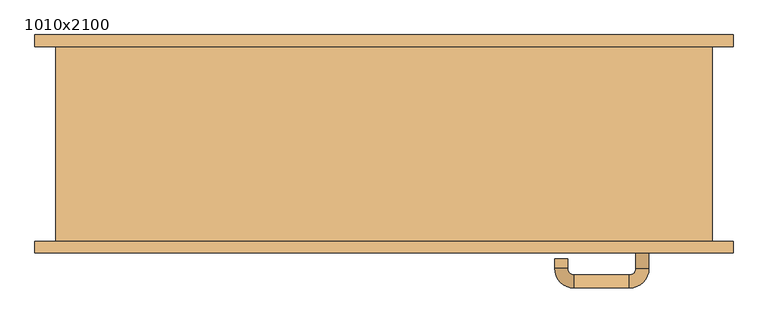
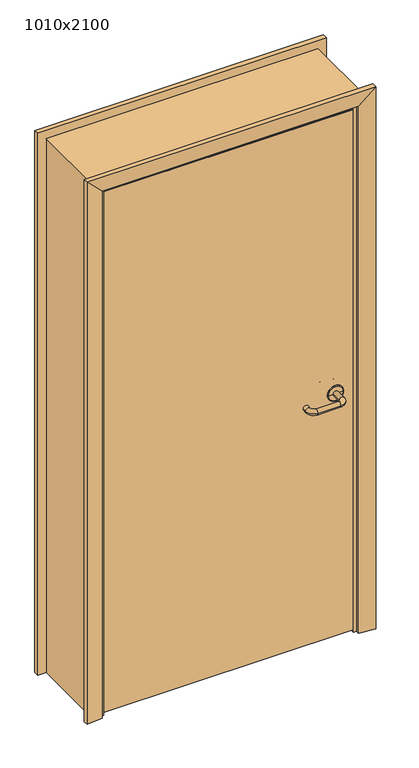
"""IFC4 building model written with IfcOpenShell, lengths in millimetres: door geometry, 1010x2100."""

import ifcopenshell
import ifcopenshell.guid

model = None  # the IFC model being written
_history = None  # IfcOwnerHistory: only IFC2X3 demands one
_inside = {}  # id of a spatial element -> (the spatial element, [elements in it])
_under = {}  # id of a project, library or spatial element -> (it, [spatial elements below it])
_declared = {}  # id of a project -> (the project, [libraries it declares])
_typed = {}  # id of a type object -> (the type object, [elements of that type])
_made_of = {}  # id of a material, layer set ... -> (it, [elements and type objects made of it])


def new_model(schema):
    """Start an empty IFC model of exactly this schema.

    Asked for "IFC4X3", IfcOpenShell would pick the latest addendum, in which some entities
    have other attributes; the version numbers below select the first issue.
    IFC2X3 requires an IfcOwnerHistory on every rooted entity: one is made here for all.
    """
    global model, _history
    if schema == "IFC4X3":
        model = ifcopenshell.file(schema_version=(4, 3, 0, 0))
    else:
        model = ifcopenshell.file(schema=schema)
    _inside.clear()
    _under.clear()
    _declared.clear()
    _typed.clear()
    _made_of.clear()
    _history = None
    if model.schema == "IFC2X3":
        org = make("IfcOrganization", Name="unknown")
        user = make(
            "IfcPersonAndOrganization",
            ThePerson=make("IfcPerson", FamilyName="unknown"),
            TheOrganization=org,
        )
        app = make(
            "IfcApplication",
            ApplicationDeveloper=org,
            Version="unknown",
            ApplicationFullName="unknown",
            ApplicationIdentifier="unknown",
        )
        _history = make(
            "IfcOwnerHistory",
            OwningUser=user,
            OwningApplication=app,
            ChangeAction="ADDED",
            CreationDate=0,
        )
    return model


def make(cls, **values):
    """One entity of the class cls with the attributes given. An attribute that is None is left unset."""
    return model.create_entity(
        cls, **{name: value for name, value in values.items() if value is not None}
    )


def rooted(cls, **values):
    """An entity with a GlobalId (a new one), such as an element, a storey or a relation."""
    return make(cls, GlobalId=ifcopenshell.guid.new(), OwnerHistory=_history, **values)


def si_unit(unit_type, name, prefix=None):
    """IfcSIUnit, for example si_unit("LENGTHUNIT", "METRE", prefix="MILLI")."""
    return make("IfcSIUnit", UnitType=unit_type, Prefix=prefix, Name=name)


def assignment(units):
    """IfcUnitAssignment: the units of a project."""
    return None if units is None else make("IfcUnitAssignment", Units=units)


def point(xyz):
    """IfcCartesianPoint."""
    return None if xyz is None else make("IfcCartesianPoint", Coordinates=xyz)


def direction(xyz):
    """IfcDirection."""
    return None if xyz is None else make("IfcDirection", DirectionRatios=xyz)


def frame(location, z_axis=None, x_axis=None):
    """IfcAxis2Placement3D, a coordinate frame: its origin and axes. An axis left out is left unset."""
    return make(
        "IfcAxis2Placement3D",
        Location=point(location),
        Axis=direction(z_axis),
        RefDirection=direction(x_axis),
    )


def origin():
    """The frame at (0, 0, 0) with its axes left unset."""
    return frame((0.0, 0.0, 0.0))


def place(relative_to, where):
    """IfcLocalPlacement: puts the frame where relative to a parent placement (None: the world)."""
    return make(
        "IfcLocalPlacement", PlacementRelTo=relative_to, RelativePlacement=where
    )


def context(
    kind, dimensions, precision=None, world=None, true_north=None, identifier=None
):
    """IfcGeometricRepresentationContext, for example the 3D "Model" context."""
    return make(
        "IfcGeometricRepresentationContext",
        ContextIdentifier=identifier,
        ContextType=kind,
        CoordinateSpaceDimension=dimensions,
        Precision=precision,
        WorldCoordinateSystem=world,
        TrueNorth=true_north,
    )


def project(units=None, contexts=None):
    """IfcProject with its units and contexts."""
    return rooted(
        "IfcProject",
        Name="project",
        RepresentationContexts=contexts,
        UnitsInContext=assignment(units),
    )


def spatial(cls, under=None, at=None, **own):
    """A site, building, storey or space (cls), placed at a placement, below another one or the project."""
    s = rooted(cls, ObjectPlacement=at, **own)
    if under is not None:
        _under.setdefault(under.id(), (under, []))[1].append(s)
    return s


def polyline(points):
    """IfcPolyline through the points."""
    return make("IfcPolyline", Points=[point(p) for p in points])


def circle_curve(where, radius):
    """IfcCircle in the frame where."""
    return make("IfcCircle", Position=where, Radius=radius)


def ellipse_curve(where, semi_axis1, semi_axis2):
    """IfcEllipse in the frame where."""
    return make(
        "IfcEllipse", Position=where, SemiAxis1=semi_axis1, SemiAxis2=semi_axis2
    )


def trimmed(basis, trim1, trim2, sense, master):
    """IfcTrimmedCurve: the piece of a basis curve between two trims."""
    return make(
        "IfcTrimmedCurve",
        BasisCurve=basis,
        Trim1=trim1,
        Trim2=trim2,
        SenseAgreement=sense,
        MasterRepresentation=master,
    )


def outline(outer, holes=None, kind="AREA"):
    """IfcArbitraryClosedProfileDef: a profile drawn as a closed curve; with holes, ...WithVoids."""
    if holes is None:
        return make("IfcArbitraryClosedProfileDef", ProfileType=kind, OuterCurve=outer)
    return make(
        "IfcArbitraryProfileDefWithVoids",
        ProfileType=kind,
        OuterCurve=outer,
        InnerCurves=holes,
    )


def extrude(swept, where, along, depth):
    """IfcExtrudedAreaSolid: the profile swept, set in the frame where, extruded along a direction by depth."""
    return make(
        "IfcExtrudedAreaSolid",
        SweptArea=swept,
        Position=where,
        ExtrudedDirection=direction(along),
        Depth=depth,
    )


def faces_of(points, faces, orient=None, outer=None):
    """IfcFace entities. A face is a list of loops; a loop is a list of indices into points, from 0.

    orient and outer hold one flag for each loop. By default every Orientation is true, the
    first loop of a face is its IfcFaceOuterBound and the others are IfcFaceBound.
    """
    made = []
    for i, loops in enumerate(faces):
        bounds = []
        for j, loop in enumerate(loops):
            is_outer = j == 0 if outer is None else outer[i][j]
            bounds.append(
                make(
                    "IfcFaceOuterBound" if is_outer else "IfcFaceBound",
                    Bound=make("IfcPolyLoop", Polygon=[points[k] for k in loop]),
                    Orientation=True if orient is None else orient[i][j],
                )
            )
        made.append(make("IfcFace", Bounds=bounds))
    return made


def faceted_brep(points, faces, orient=None, outer=None, voids=None):
    """IfcFacetedBrep: a solid bounded by flat faces; with voids (closed shells), ...WithVoids."""
    shared = [point(p) for p in points]
    hull = make("IfcClosedShell", CfsFaces=faces_of(shared, faces, orient, outer))
    if voids is None:
        return make("IfcFacetedBrep", Outer=hull)
    return make(
        "IfcFacetedBrepWithVoids",
        Outer=hull,
        Voids=[
            make(cls, CfsFaces=faces_of(shared, fs, o, b)) for cls, fs, o, b in voids
        ],
    )


def shape(context_of_items, identifier, shape_type, items):
    """IfcShapeRepresentation: the items that make up one representation, for example the "Body"."""
    return make(
        "IfcShapeRepresentation",
        ContextOfItems=context_of_items,
        RepresentationIdentifier=identifier,
        RepresentationType=shape_type,
        Items=items,
    )


def source(mapping_origin, context_of_items, identifier, shape_type, items):
    """IfcRepresentationMap: a shape defined once, which mapped items show again and again."""
    return make(
        "IfcRepresentationMap",
        MappingOrigin=mapping_origin,
        MappedRepresentation=shape(context_of_items, identifier, shape_type, items),
    )


def transform(
    local_origin,
    x_axis=None,
    y_axis=None,
    z_axis=None,
    scale=None,
    scale2=None,
    scale3=None,
    uniform=True,
):
    """IfcCartesianTransformationOperator3D, or its non-uniform kind. x_axis, y_axis, z_axis: its Axis1, 2, 3."""
    if uniform:
        return make(
            "IfcCartesianTransformationOperator3D",
            Axis1=direction(x_axis),
            Axis2=direction(y_axis),
            LocalOrigin=point(local_origin),
            Scale=scale,
            Axis3=direction(z_axis),
        )
    return make(
        "IfcCartesianTransformationOperator3DnonUniform",
        Axis1=direction(x_axis),
        Axis2=direction(y_axis),
        LocalOrigin=point(local_origin),
        Scale=scale,
        Axis3=direction(z_axis),
        Scale2=scale2,
        Scale3=scale3,
    )


def mapped(mapping_source, mapping_target):
    """IfcMappedItem: shows the shape of a source again, moved by a transform."""
    return make(
        "IfcMappedItem", MappingSource=mapping_source, MappingTarget=mapping_target
    )


def made_of(thing, what):
    """Note that an element or type object is made of a material, layer set ...; save() writes the relation."""
    if what is not None:
        _made_of.setdefault(what.id(), (what, []))[1].append(thing)
    return thing


def element(
    cls,
    number,
    at=None,
    inside=None,
    cuts=None,
    type_object=None,
    material=None,
    context=None,
    identifier="Body",
    shape_type=None,
    held_by="IfcProductDefinitionShape",
    body=None,
    shapes=None,
    **own,
):
    """One element of the class cls, such as IfcWall. Its Tag is "e" and its number.

    at: its placement. inside: the storey or other place that contains it. cuts: it is an
    opening in that element (IfcRelVoidsElement). A single representation is given by context,
    identifier, shape_type and body (its items); several are given by shapes. held_by: the class
    of the entity that holds the representations. save() writes the other relations.
    """
    e = rooted(cls, Tag="e%d" % number, ObjectPlacement=at, **own)
    if body is not None:
        shapes = [shape(context, identifier, shape_type, body)]
    if shapes is not None:
        e.Representation = make(held_by, Representations=shapes)
    if inside is not None:
        _inside.setdefault(inside.id(), (inside, []))[1].append(e)
    if cuts is not None:
        rooted(
            "IfcRelVoidsElement", RelatingBuildingElement=cuts, RelatedOpeningElement=e
        )
    if type_object is not None:
        _typed.setdefault(type_object.id(), (type_object, []))[1].append(e)
    return made_of(e, material)


def aggregate(whole, parts):
    """IfcRelAggregates: a whole, such as a stair, and the parts it consists of."""
    return rooted("IfcRelAggregates", RelatingObject=whole, RelatedObjects=parts)


def save(model, path):
    """Write the relations noted so far, then the file.

    IfcRelAggregates (storeys below a building ...), IfcRelContainedInSpatialStructure (elements
    in a storey), IfcRelDefinesByType, IfcRelAssociatesMaterial and IfcRelDeclares: one each for
    every whole, place, type object, material and project.
    """
    for whole, parts in _under.values():
        aggregate(whole, parts)
    for where, things in _inside.values():
        rooted(
            "IfcRelContainedInSpatialStructure",
            RelatedElements=things,
            RelatingStructure=where,
        )
    for kind, things in _typed.values():
        rooted("IfcRelDefinesByType", RelatedObjects=things, RelatingType=kind)
    for what, things in _made_of.values():
        rooted("IfcRelAssociatesMaterial", RelatedObjects=things, RelatingMaterial=what)
    for by, libraries in _declared.values():
        rooted("IfcRelDeclares", RelatingContext=by, RelatedDefinitions=libraries)
    model.write(path)


def plane_surface(at):
    """IfcPlane: the flat surface through the origin of the frame at, square to its z axis."""
    return make("IfcPlane", Position=at)


def cylinder_surface(at, radius):
    """IfcCylindricalSurface: all points at the distance radius from the z axis of the frame at."""
    return make("IfcCylindricalSurface", Position=at, Radius=radius)


def revolved_surface(curve, axis_point, axis_direction):
    """IfcSurfaceOfRevolution: the curve turned about the line through axis_point along axis_direction."""
    return make(
        "IfcSurfaceOfRevolution",
        SweptCurve=make("IfcArbitraryOpenProfileDef", ProfileType="CURVE", Curve=curve),
        AxisPosition=make("IfcAxis1Placement", Location=point(axis_point), Axis=direction(axis_direction)),
    )


def advanced_brep(points, edges, surfaces, faces):
    """IfcAdvancedBrep: a solid bounded by faces that lie on surfaces and meet in shared edges.

    An edge is (start, end): straight between two places in points (the first is 0);
    or (start, end, curve); or (start, end, curve, False) where it runs against its curve.
    A face is (place in surfaces, loops), or (place, loops, False) where it looks against
    its surface's normal. A loop lists edges by number (the first is 1), with a minus sign
    where the edge is run from its end to its start. The first loop is the outer one.
    """
    corners = [point(p) for p in points]
    vertices = [make("IfcVertexPoint", VertexGeometry=c) for c in corners]
    made = []
    for start, end, *more in edges:
        made.append(
            make(
                "IfcEdgeCurve",
                EdgeStart=vertices[start],
                EdgeEnd=vertices[end],
                EdgeGeometry=more[0] if more else make("IfcPolyline", Points=[corners[start], corners[end]]),
                SameSense=more[1] if len(more) > 1 else True,
            )
        )
    hull = []
    for where, loops, *sense in faces:
        bounds = []
        for j, loop in enumerate(loops):
            ring = [make("IfcOrientedEdge", EdgeElement=made[abs(k) - 1], Orientation=k > 0) for k in loop]
            bounds.append(
                make(
                    "IfcFaceOuterBound" if j == 0 else "IfcFaceBound",
                    Bound=make("IfcEdgeLoop", EdgeList=ring),
                    Orientation=True,
                )
            )
        hull.append(make("IfcAdvancedFace", Bounds=bounds, FaceSurface=surfaces[where], SameSense=sense[0] if sense else True))
    return make("IfcAdvancedBrep", Outer=make("IfcClosedShell", CfsFaces=hull))


def door_1010x2100_8a5e629b(model_context):
    return source(origin(), model_context, "Body", "SolidModel", [
        advanced_brep(
        [(407.5389275, -150.0, 965.0), (387.5389275, -150.0, 965.0), (407.5389275, -191.7730895, 965.0), (387.5389275, -191.7730895, 965.0), (377.5389275, -221.7730895, 965.0), (377.5389275, -201.7730895, 965.0), (292.5389265, -221.7730895, 965.0), (292.5389265, -201.7730895, 965.0), (262.5389265, -191.7730895, 965.0), (282.5389265, -191.7730895, 965.0), (262.5389265, -176.7730887, 965.0), (282.5389265, -176.7730887, 965.0)],
        [
            (0, 1, circle_curve(frame((397.5389275, -150.0, 965.0), z_axis=(0.0, 1.0, 0.0), x_axis=(-1.0, 0.0, 0.0)), 10.0)),
            (1, 0, circle_curve(frame((397.5389275, -150.0, 965.0), z_axis=(0.0, 1.0, 0.0), x_axis=(-1.0, 0.0, 0.0)), 10.0)),
            (0, 2),
            (2, 3, circle_curve(frame((397.5389275, -191.7730895, 965.0), z_axis=(0.0, 1.0, 0.0), x_axis=(-1.0, 0.0, 0.0)), 10.0)),
            (3, 1),
            (3, 2, circle_curve(frame((397.5389275, -191.7730895, 965.0), z_axis=(0.0, 1.0, 0.0), x_axis=(-1.0, 0.0, 0.0)), 10.0)),
            (4, 5, circle_curve(frame((377.5389275, -211.7730895, 965.0), z_axis=(1.0, 0.0, 0.0), x_axis=(0.0, 1.0, 0.0)), 10.0)),
            (5, 3, circle_curve(frame((377.5389275, -191.7730895, 965.0), z_axis=(0.0, 0.0, 1.0), x_axis=(1.0, 0.0, 0.0)), 10.0)),
            (2, 4, circle_curve(frame((377.5389275, -191.7730895, 965.0), z_axis=(0.0, 0.0, -1.0), x_axis=(1.0, 0.0, 0.0)), 30.0)),
            (5, 4, circle_curve(frame((377.5389275, -211.7730895, 965.0), z_axis=(1.0, 0.0, 0.0), x_axis=(0.0, 1.0, 0.0)), 10.0)),
            (4, 6),
            (6, 7, circle_curve(frame((292.5389265, -211.7730895, 965.0), z_axis=(1.0, 0.0, 0.0), x_axis=(0.0, 1.0, 0.0)), 10.0)),
            (7, 5),
            (7, 6, circle_curve(frame((292.5389265, -211.7730895, 965.0), z_axis=(1.0, 0.0, 0.0), x_axis=(0.0, 1.0, 0.0)), 10.0)),
            (8, 9, circle_curve(frame((272.5389265, -191.7730895, 965.0), z_axis=(0.0, -1.0, 0.0), x_axis=(1.0, 0.0, 0.0)), 10.0)),
            (9, 7, circle_curve(frame((292.5389265, -191.7730895, 965.0), z_axis=(0.0, 0.0, 1.0), x_axis=(0.0, -1.0, 0.0)), 10.0)),
            (6, 8, circle_curve(frame((292.5389265, -191.7730895, 965.0), z_axis=(0.0, 0.0, -1.0), x_axis=(0.0, -1.0, 0.0)), 30.0)),
            (9, 8, circle_curve(frame((272.5389265, -191.7730895, 965.0), z_axis=(0.0, -1.0, 0.0), x_axis=(1.0, 0.0, 0.0)), 10.0)),
            (10, 11, circle_curve(frame((272.5389265, -176.7730887, 965.0), z_axis=(0.0, 1.0, 0.0), x_axis=(1.0, 0.0, 0.0)), 10.0)),
            (11, 10, circle_curve(frame((272.5389265, -176.7730887, 965.0), z_axis=(0.0, 1.0, 0.0), x_axis=(1.0, 0.0, 0.0)), 10.0)),
            (8, 10),
            (11, 9),
        ],
        [
            plane_surface(frame((397.5389275, -150.0, 965.0), z_axis=(0.0, 1.0, 0.0), x_axis=(0.0, 0.0, 1.0))),
            cylinder_surface(frame((397.5389275, -150.0, 965.0), z_axis=(0.0, 1.0, 0.0), x_axis=(-1.0, 0.0, 0.0)), 10.0),
            revolved_surface(trimmed(ellipse_curve(frame((397.5389275, -191.7730895, 965.0), z_axis=(0.0, -1.0, 0.0), x_axis=(-1.0, 0.0, 0.0)), 10.0, 10.0), [point((387.5389275, -191.7730895, 965.0))], [point((407.5389275, -191.7730895, 965.0))], True, "CARTESIAN"), (377.5389275, -191.7730895, 965.0), (0.0, 0.0, 1.0)),
            revolved_surface(trimmed(ellipse_curve(frame((397.5389275, -191.7730895, 965.0), z_axis=(0.0, -1.0, 0.0), x_axis=(-1.0, 0.0, 0.0)), 10.0, 10.0), [point((407.5389275, -191.7730895, 965.0))], [point((387.5389275, -191.7730895, 965.0))], True, "CARTESIAN"), (377.5389275, -191.7730895, 965.0), (0.0, 0.0, 1.0)),
            cylinder_surface(frame((377.5389275, -211.7730895, 965.0), z_axis=(1.0, 0.0, 0.0), x_axis=(0.0, 1.0, 0.0)), 10.0),
            revolved_surface(trimmed(ellipse_curve(frame((292.5389265, -211.7730895, 965.0), z_axis=(-1.0, 0.0, 0.0), x_axis=(0.0, 1.0, 0.0)), 10.0, 10.0), [point((292.5389265, -201.7730895, 965.0))], [point((292.5389265, -221.7730895, 965.0))], True, "CARTESIAN"), (292.5389265, -191.7730895, 965.0), (0.0, 0.0, 1.0)),
            revolved_surface(trimmed(ellipse_curve(frame((292.5389265, -211.7730895, 965.0), z_axis=(-1.0, 0.0, 0.0), x_axis=(0.0, 1.0, 0.0)), 10.0, 10.0), [point((292.5389265, -221.7730895, 965.0))], [point((292.5389265, -201.7730895, 965.0))], True, "CARTESIAN"), (292.5389265, -191.7730895, 965.0), (0.0, 0.0, 1.0)),
            plane_surface(frame((272.5389265, -176.7730887, 965.0), z_axis=(0.0, 1.0, 0.0), x_axis=(0.0, 0.0, 1.0))),
            cylinder_surface(frame((272.5389265, -191.7730895, 965.0), z_axis=(0.0, -1.0, 0.0), x_axis=(1.0, 0.0, 0.0)), 10.0),
        ],
        [
            (0, [[1, 2]]),
            (1, [[3, 4, 5, -1]]),
            (1, [[-5, 6, -3, -2]]),
            (2, [[7, 8, -4, 9]]),
            (3, [[10, -9, -6, -8]]),
            (4, [[11, 12, 13, -7]]),
            (4, [[-13, 14, -11, -10]]),
            (5, [[15, 16, -12, 17]]),
            (6, [[18, -17, -14, -16]]),
            (7, [[19, 20]]),
            (8, [[21, -20, 22, -15]]),
            (8, [[-22, -19, -21, -18]]),
        ],
    ),
        advanced_brep(
        [(397.5389275, -150.0, 965.0), (427.5389268, -150.0, 965.0), (367.5389281, -150.0, 965.0), (427.5389268, -150.819943, 965.0), (367.5389281, -150.819943, 965.0), (424.5857807, -153.7730891, 965.0), (397.5389275, -153.7730891, 965.0), (370.4920742, -153.7730891, 965.0)],
        [
            (0, 1),
            (1, 2, circle_curve(frame((397.5389275, -150.0, 965.0), z_axis=(0.0, 1.0, 0.0), x_axis=(-1.0, 0.0, 0.0)), 29.9999993)),
            (2, 0),
            (2, 1, circle_curve(frame((397.5389275, -150.0, 965.0), z_axis=(0.0, 1.0, 0.0), x_axis=(-1.0, 0.0, 0.0)), 29.9999993)),
            (1, 3),
            (3, 4, circle_curve(frame((397.5389275, -150.819943, 965.0), z_axis=(0.0, 1.0, 0.0), x_axis=(-1.0, 0.0, 0.0)), 29.9999993)),
            (4, 2),
            (4, 3, circle_curve(frame((397.5389275, -150.819943, 965.0), z_axis=(0.0, 1.0, 0.0), x_axis=(-1.0, 0.0, 0.0)), 29.9999993)),
            (5, 6),
            (6, 7),
            (7, 5, circle_curve(frame((397.5389275, -153.7730891, 965.0), z_axis=(0.0, -1.0, 0.0), x_axis=(-1.0, 0.0, 0.0)), 27.0468532)),
            (5, 7, circle_curve(frame((397.5389275, -153.7730891, 965.0), z_axis=(0.0, -1.0, 0.0), x_axis=(-1.0, 0.0, 0.0)), 27.0468532)),
            (3, 5, circle_curve(frame((424.5857807, -150.819943, 965.0), z_axis=(0.0, 0.0, -1.0), x_axis=(-1.0, 0.0, 0.0)), 2.9531461)),
            (7, 4, circle_curve(frame((370.4920742, -150.819943, 965.0), z_axis=(0.0, 0.0, -1.0), x_axis=(1.0, 0.0, 0.0)), 2.9531461)),
        ],
        [
            plane_surface(frame((397.5389275, -150.0, 965.0), z_axis=(0.0, 1.0, 0.0), x_axis=(-1.0, 0.0, 0.0))),
            cylinder_surface(frame((397.5389275, -150.0, 965.0), z_axis=(0.0, 1.0, 0.0), x_axis=(-1.0, 0.0, 0.0)), 29.9999993),
            plane_surface(frame((397.5389275, -153.7730891, 965.0), z_axis=(0.0, -1.0, 0.0), x_axis=(-1.0, 0.0, 0.0))),
            revolved_surface(trimmed(ellipse_curve(frame((370.4920742, -150.819943, 965.0), z_axis=(0.0, 0.0, -1.0), x_axis=(1.0, 0.0, 0.0)), 2.9531461, 2.9531461), [point((370.4920742, -153.7730891, 965.0))], [point((367.5389281, -150.819943, 965.0))], True, "CARTESIAN"), (397.5389275, -150.0, 965.0), (0.0, 1.0, 0.0)),
        ],
        [
            (0, [[1, 2, 3]]),
            (0, [[-3, 4, -1]]),
            (1, [[5, 6, 7, -2]]),
            (1, [[-7, 8, -5, -4]]),
            (2, [[9, 10, 11]]),
            (2, [[-10, -9, 12]]),
            (3, [[13, -11, 14, -6]]),
            (3, [[-14, -12, -13, -8]]),
        ],
    ),
        advanced_brep(
        [(407.5389275, -110.0, 965.0), (387.5389275, -110.0, 965.0), (387.5389275, -68.2269106, 965.0), (407.5389275, -68.2269106, 965.0), (377.5389275, -58.2269106, 965.0), (377.5389275, -38.2269106, 965.0), (292.5389265, -58.2269106, 965.0), (292.5389265, -38.2269106, 965.0), (282.5389265, -68.2269106, 965.0), (262.5389265, -68.2269106, 965.0), (262.5389265, -83.2269113, 965.0), (282.5389265, -83.2269113, 965.0)],
        [
            (0, 1, circle_curve(frame((397.5389275, -110.0, 965.0), z_axis=(0.0, -1.0, 0.0), x_axis=(-1.0, 0.0, 0.0)), 10.0)),
            (1, 0, circle_curve(frame((397.5389275, -110.0, 965.0), z_axis=(0.0, -1.0, 0.0), x_axis=(-1.0, 0.0, 0.0)), 10.0)),
            (1, 2),
            (2, 3, circle_curve(frame((397.5389275, -68.2269106, 965.0), z_axis=(0.0, -1.0, 0.0), x_axis=(-1.0, 0.0, 0.0)), 10.0)),
            (3, 0),
            (3, 2, circle_curve(frame((397.5389275, -68.2269106, 965.0), z_axis=(0.0, -1.0, 0.0), x_axis=(-1.0, 0.0, 0.0)), 10.0)),
            (4, 5, circle_curve(frame((377.5389275, -48.2269106, 965.0), z_axis=(1.0, 0.0, 0.0), x_axis=(0.0, -1.0, 0.0)), 10.0)),
            (5, 3, circle_curve(frame((377.5389275, -68.2269106, 965.0), z_axis=(0.0, 0.0, -1.0), x_axis=(1.0, 0.0, 0.0)), 30.0)),
            (2, 4, circle_curve(frame((377.5389275, -68.2269106, 965.0), z_axis=(0.0, 0.0, 1.0), x_axis=(1.0, 0.0, 0.0)), 10.0)),
            (5, 4, circle_curve(frame((377.5389275, -48.2269106, 965.0), z_axis=(1.0, 0.0, 0.0), x_axis=(0.0, -1.0, 0.0)), 10.0)),
            (4, 6),
            (6, 7, circle_curve(frame((292.5389265, -48.2269106, 965.0), z_axis=(1.0, 0.0, 0.0), x_axis=(0.0, -1.0, 0.0)), 10.0)),
            (7, 5),
            (7, 6, circle_curve(frame((292.5389265, -48.2269106, 965.0), z_axis=(1.0, 0.0, 0.0), x_axis=(0.0, -1.0, 0.0)), 10.0)),
            (8, 9, circle_curve(frame((272.5389265, -68.2269106, 965.0), z_axis=(0.0, 1.0, 0.0), x_axis=(1.0, 0.0, 0.0)), 10.0)),
            (9, 7, circle_curve(frame((292.5389265, -68.2269106, 965.0), z_axis=(0.0, 0.0, -1.0), x_axis=(0.0, 1.0, 0.0)), 30.0)),
            (6, 8, circle_curve(frame((292.5389265, -68.2269106, 965.0), z_axis=(0.0, 0.0, 1.0), x_axis=(0.0, 1.0, 0.0)), 10.0)),
            (9, 8, circle_curve(frame((272.5389265, -68.2269106, 965.0), z_axis=(0.0, 1.0, 0.0), x_axis=(1.0, 0.0, 0.0)), 10.0)),
            (10, 11, circle_curve(frame((272.5389265, -83.2269113, 965.0), z_axis=(0.0, -1.0, 0.0), x_axis=(1.0, 0.0, 0.0)), 10.0)),
            (11, 10, circle_curve(frame((272.5389265, -83.2269113, 965.0), z_axis=(0.0, -1.0, 0.0), x_axis=(1.0, 0.0, 0.0)), 10.0)),
            (8, 11),
            (10, 9),
        ],
        [
            plane_surface(frame((397.5389275, -110.0, 965.0), z_axis=(0.0, -1.0, 0.0), x_axis=(0.0, 0.0, 1.0))),
            cylinder_surface(frame((397.5389275, -110.0, 965.0), z_axis=(0.0, -1.0, 0.0), x_axis=(-1.0, 0.0, 0.0)), 10.0),
            revolved_surface(trimmed(ellipse_curve(frame((397.5389275, -68.2269106, 965.0), z_axis=(0.0, 1.0, 0.0), x_axis=(-1.0, 0.0, 0.0)), 10.0, 10.0), [point((407.5389275, -68.2269106, 965.0))], [point((387.5389275, -68.2269106, 965.0))], True, "CARTESIAN"), (377.5389275, -68.2269106, 965.0), (0.0, 0.0, -1.0)),
            revolved_surface(trimmed(ellipse_curve(frame((397.5389275, -68.2269106, 965.0), z_axis=(0.0, 1.0, 0.0), x_axis=(-1.0, 0.0, 0.0)), 10.0, 10.0), [point((387.5389275, -68.2269106, 965.0))], [point((407.5389275, -68.2269106, 965.0))], True, "CARTESIAN"), (377.5389275, -68.2269106, 965.0), (0.0, 0.0, -1.0)),
            cylinder_surface(frame((377.5389275, -48.2269106, 965.0), z_axis=(1.0, 0.0, 0.0), x_axis=(0.0, -1.0, 0.0)), 10.0),
            revolved_surface(trimmed(ellipse_curve(frame((292.5389265, -48.2269106, 965.0), z_axis=(-1.0, 0.0, 0.0), x_axis=(0.0, -1.0, 0.0)), 10.0, 10.0), [point((292.5389265, -38.2269106, 965.0))], [point((292.5389265, -58.2269106, 965.0))], True, "CARTESIAN"), (292.5389265, -68.2269106, 965.0), (0.0, 0.0, -1.0)),
            revolved_surface(trimmed(ellipse_curve(frame((292.5389265, -48.2269106, 965.0), z_axis=(-1.0, 0.0, 0.0), x_axis=(0.0, -1.0, 0.0)), 10.0, 10.0), [point((292.5389265, -58.2269106, 965.0))], [point((292.5389265, -38.2269106, 965.0))], True, "CARTESIAN"), (292.5389265, -68.2269106, 965.0), (0.0, 0.0, -1.0)),
            plane_surface(frame((272.5389265, -83.2269113, 965.0), z_axis=(0.0, -1.0, 0.0), x_axis=(0.0, 0.0, 1.0))),
            cylinder_surface(frame((272.5389265, -68.2269106, 965.0), z_axis=(0.0, 1.0, 0.0), x_axis=(1.0, 0.0, 0.0)), 10.0),
        ],
        [
            (0, [[1, 2]]),
            (1, [[3, 4, 5, -2]]),
            (1, [[-5, 6, -3, -1]]),
            (2, [[7, 8, -4, 9]]),
            (3, [[10, -9, -6, -8]]),
            (4, [[11, 12, 13, -7]]),
            (4, [[-13, 14, -11, -10]]),
            (5, [[15, 16, -12, 17]]),
            (6, [[18, -17, -14, -16]]),
            (7, [[19, 20]]),
            (8, [[21, -19, 22, -15]]),
            (8, [[-22, -20, -21, -18]]),
        ],
    ),
        advanced_brep(
        [(427.5389268, -110.0, 965.0), (397.5389275, -110.0, 965.0), (367.5389281, -110.0, 965.0), (427.5389268, -109.180057, 965.0), (367.5389281, -109.180057, 965.0), (397.5389275, -106.2269109, 965.0), (424.5857807, -106.2269109, 965.0), (370.4920742, -106.2269109, 965.0)],
        [
            (0, 1),
            (1, 2),
            (2, 0, circle_curve(frame((397.5389275, -110.0, 965.0), z_axis=(0.0, -1.0, 0.0), x_axis=(-1.0, 0.0, 0.0)), 29.9999993)),
            (0, 2, circle_curve(frame((397.5389275, -110.0, 965.0), z_axis=(0.0, -1.0, 0.0), x_axis=(-1.0, 0.0, 0.0)), 29.9999993)),
            (3, 0),
            (2, 4),
            (4, 3, circle_curve(frame((397.5389275, -109.180057, 965.0), z_axis=(0.0, -1.0, 0.0), x_axis=(-1.0, 0.0, 0.0)), 29.9999993)),
            (3, 4, circle_curve(frame((397.5389275, -109.180057, 965.0), z_axis=(0.0, -1.0, 0.0), x_axis=(-1.0, 0.0, 0.0)), 29.9999993)),
            (5, 6),
            (6, 7, circle_curve(frame((397.5389275, -106.2269109, 965.0), z_axis=(0.0, 1.0, 0.0), x_axis=(-1.0, 0.0, 0.0)), 27.0468532)),
            (7, 5),
            (7, 6, circle_curve(frame((397.5389275, -106.2269109, 965.0), z_axis=(0.0, 1.0, 0.0), x_axis=(-1.0, 0.0, 0.0)), 27.0468532)),
            (6, 3, circle_curve(frame((424.5857807, -109.180057, 965.0), z_axis=(0.0, 0.0, -1.0), x_axis=(-1.0, 0.0, 0.0)), 2.9531461)),
            (4, 7, circle_curve(frame((370.4920742, -109.180057, 965.0), z_axis=(0.0, 0.0, -1.0), x_axis=(1.0, 0.0, 0.0)), 2.9531461)),
        ],
        [
            plane_surface(frame((397.5389275, -110.0, 965.0), z_axis=(0.0, -1.0, 0.0), x_axis=(-1.0, 0.0, 0.0))),
            cylinder_surface(frame((397.5389275, -110.0, 965.0), z_axis=(0.0, 1.0, 0.0), x_axis=(-1.0, 0.0, 0.0)), 29.9999993),
            plane_surface(frame((397.5389275, -106.2269109, 965.0), z_axis=(0.0, 1.0, 0.0), x_axis=(-1.0, 0.0, 0.0))),
            revolved_surface(trimmed(ellipse_curve(frame((370.4920742, -109.180057, 965.0), z_axis=(0.0, 0.0, -1.0), x_axis=(1.0, 0.0, 0.0)), 2.9531461, 2.9531461), [point((367.5389281, -109.180057, 965.0))], [point((370.4920742, -106.2269109, 965.0))], True, "CARTESIAN"), (397.5389275, -110.0, 965.0), (0.0, 1.0, 0.0)),
        ],
        [
            (0, [[1, 2, 3]]),
            (0, [[-2, -1, 4]]),
            (1, [[5, -3, 6, 7]]),
            (1, [[-6, -4, -5, 8]]),
            (2, [[9, 10, 11]]),
            (2, [[-11, 12, -9]]),
            (3, [[13, -7, 14, -10]]),
            (3, [[-14, -8, -13, -12]]),
        ],
    ),
        extrude(outline(polyline([(462.5389275, -150.0), (-462.538929, -150.0), (-462.538929, -110.0), (462.5389275, -110.0), (462.5389275, -150.0)])), frame((0.0, 0.0, 10.0), z_axis=(0.0, 0.0, 1.0), x_axis=(1.0, 0.0, 0.0)), (0.0, 0.0, 1.0), 2047.0),
        advanced_brep(
        [(505.0, 150.0, 0.0), (505.0, -150.0, 0.0), (465.0389382, -150.0, 0.0), (465.0389382, -107.9643213, 0.0), (452.938932, -107.9643213, 0.0), (452.938932, -70.0651318, 0.0), (459.0397424, -63.9643215, 0.0), (465.0389382, -63.9643215, 0.0), (465.0389382, 150.0, 0.0), (465.0389382, 150.0, 2060.0389382), (-465.0389382, 150.0, 2060.0389382), (-465.0389382, 150.0, 0.0), (-505.0, 150.0, 0.0), (-505.0, 150.0, 2100.0), (505.0, 150.0, 2100.0), (465.0389382, -63.9643215, 2060.0389382), (459.0397424, -63.9643215, 2054.0397424), (-459.0397424, -63.9643215, 2054.0397424), (-459.0397424, -63.9643215, 0.0), (-465.0389382, -63.9643215, 0.0), (-465.0389382, -63.9643215, 2060.0389382), (452.938932, -70.0651318, 2047.938932), (452.938932, -107.9643213, 2047.938932), (465.0389382, -107.9643213, 2060.0389382), (-465.0389382, -107.9643213, 2060.0389382), (-465.0389382, -107.9643213, 0.0), (-452.938932, -107.9643213, 0.0), (-452.938932, -107.9643213, 2047.938932), (465.0389382, -150.0, 2060.0389382), (505.0, -150.0, 2100.0), (-452.938932, -70.0651318, 2047.938932), (-465.0389382, -150.0, 2060.0389382), (-505.0, -150.0, 2100.0), (-452.938932, -70.0651318, 0.0), (-465.0389382, -150.0, 0.0), (-505.0, -150.0, 0.0)],
        [
            (0, 1),
            (1, 2),
            (2, 3),
            (3, 4),
            (4, 5),
            (5, 6, circle_curve(frame((459.0397424, -70.0651318, 0.0), z_axis=(0.0, 0.0, -1.0), x_axis=(-1.0, 0.0, 0.0)), 6.1008103)),
            (6, 7),
            (7, 8),
            (8, 0),
            (8, 9),
            (9, 10),
            (10, 11),
            (11, 12),
            (12, 13),
            (13, 14),
            (14, 0),
            (7, 15),
            (15, 9),
            (6, 16),
            (16, 17),
            (17, 18),
            (18, 19),
            (19, 20),
            (20, 15),
            (5, 21),
            (21, 16, ellipse_curve(frame((459.0397424, -70.0651318, 2054.0397424), z_axis=(0.7071067811865475, 0.0, -0.7071067811865475), x_axis=(-0.7071067811865474, 0.0, -0.7071067811865476)), 8.6278487, 6.1008103)),
            (4, 22),
            (22, 21),
            (3, 23),
            (23, 24),
            (24, 25),
            (25, 26),
            (26, 27),
            (27, 22),
            (2, 28),
            (28, 23),
            (14, 29),
            (29, 1),
            (20, 10),
            (21, 30),
            (30, 17, ellipse_curve(frame((-459.0397424, -70.0651318, 2054.0397424), z_axis=(0.7071067811865475, 0.0, 0.7071067811865475), x_axis=(0.7071067811865476, 0.0, -0.7071067811865474)), 8.6278487, 6.1008103)),
            (27, 30),
            (28, 31),
            (31, 24),
            (13, 32),
            (32, 29),
            (11, 19),
            (18, 33, circle_curve(frame((-459.0397424, -70.0651318, 0.0), z_axis=(0.0, 0.0, -1.0), x_axis=(1.0, 0.0, 0.0)), 6.1008103)),
            (33, 26),
            (25, 34),
            (34, 35),
            (35, 12),
            (30, 33),
            (31, 34),
            (35, 32),
        ],
        [
            plane_surface(frame((505.0, -150.0, 0.0), z_axis=(0.0, 0.0, -1.0), x_axis=(0.0, 1.0, 0.0))),
            plane_surface(frame((505.0, 150.0, 0.0), z_axis=(0.0, 1.0, 0.0), x_axis=(0.0, 0.0, 1.0))),
            plane_surface(frame((465.0389382, 150.0, 0.0), z_axis=(-1.0, 0.0, 0.0), x_axis=(0.0, 0.0, 1.0))),
            plane_surface(frame((465.0389382, -63.9643215, 0.0), z_axis=(0.0, 1.0, 0.0), x_axis=(0.0, 0.0, 1.0))),
            cylinder_surface(frame((459.0397424, -70.0651318, 0.0), z_axis=(0.0, 0.0, -1.0), x_axis=(-1.0, 0.0, 0.0)), 6.1008103),
            plane_surface(frame((452.938932, -70.0651318, 0.0), z_axis=(-1.0, 0.0, 0.0), x_axis=(0.0, 0.0, 1.0))),
            plane_surface(frame((452.938932, -107.9643213, 0.0), z_axis=(0.0, -1.0, 0.0), x_axis=(0.0, 0.0, 1.0))),
            plane_surface(frame((465.0389382, -107.9643213, 0.0), z_axis=(-1.0, 0.0, 0.0), x_axis=(0.0, 0.0, 1.0))),
            plane_surface(frame((505.0, -150.0, 0.0), z_axis=(1.0, 0.0, 0.0), x_axis=(0.0, 0.0, 1.0))),
            plane_surface(frame((465.0389382, 150.0, 2060.0389382), z_axis=(0.0, 0.0, -1.0), x_axis=(-1.0, 0.0, 0.0))),
            cylinder_surface(frame((505.0, -70.0651318, 2054.0397424), z_axis=(1.0, 0.0, 0.0), x_axis=(0.0, 0.0, -1.0)), 6.1008103),
            plane_surface(frame((452.938932, -70.0651318, 2047.938932), z_axis=(0.0, 0.0, -1.0), x_axis=(-1.0, 0.0, 0.0))),
            plane_surface(frame((465.0389382, -107.9643213, 2060.0389382), z_axis=(0.0, 0.0, -1.0), x_axis=(-1.0, 0.0, 0.0))),
            plane_surface(frame((505.0, -150.0, 2100.0), z_axis=(0.0, 0.0, 1.0), x_axis=(-1.0, 0.0, 0.0))),
            plane_surface(frame((-505.0, -150.0, 0.0), z_axis=(0.0, 0.0, -1.0), x_axis=(0.0, 1.0, 0.0))),
            plane_surface(frame((-465.0389382, 150.0, 2060.0389382), z_axis=(1.0, 0.0, 0.0), x_axis=(0.0, 0.0, -1.0))),
            cylinder_surface(frame((-459.0397424, -70.0651318, 2100.0), z_axis=(0.0, 0.0, 1.0), x_axis=(1.0, 0.0, 0.0)), 6.1008103),
            plane_surface(frame((-452.938932, -70.0651318, 2047.938932), z_axis=(1.0, 0.0, 0.0), x_axis=(0.0, 0.0, -1.0))),
            plane_surface(frame((-465.0389382, -107.9643213, 2060.0389382), z_axis=(1.0, 0.0, 0.0), x_axis=(0.0, 0.0, -1.0))),
            plane_surface(frame((-505.0, -150.0, 2100.0), z_axis=(-1.0, 0.0, 0.0), x_axis=(0.0, 0.0, -1.0))),
            plane_surface(frame((465.0389382, -150.0, 0.0), z_axis=(0.0, -1.0, 0.0), x_axis=(0.0, 0.0, 1.0))),
        ],
        [
            (0, [[1, 2, 3, 4, 5, 6, 7, 8, 9]]),
            (1, [[10, 11, 12, 13, 14, 15, 16, -9]]),
            (2, [[17, 18, -10, -8]]),
            (3, [[19, 20, 21, 22, 23, 24, -17, -7]]),
            (4, [[25, 26, -19, -6]]),
            (5, [[27, 28, -25, -5]]),
            (6, [[29, 30, 31, 32, 33, 34, -27, -4]]),
            (7, [[35, 36, -29, -3]]),
            (8, [[-16, 37, 38, -1]]),
            (9, [[-24, 39, -11, -18]]),
            (10, [[40, 41, -20, -26]]),
            (11, [[-34, 42, -40, -28]]),
            (12, [[43, 44, -30, -36]]),
            (13, [[-15, 45, 46, -37]]),
            (14, [[-13, 47, -22, 48, 49, -32, 50, 51, 52]]),
            (15, [[-23, -47, -12, -39]]),
            (16, [[53, -48, -21, -41]]),
            (17, [[-33, -49, -53, -42]]),
            (18, [[54, -50, -31, -44]]),
            (19, [[-14, -52, 55, -45]]),
            (20, [[-38, -46, -55, -51, -54, -43, -35, -2]]),
        ],
    ),
        faceted_brep([(-537.0361788, 167.9999998, 0.0), (-477.0362074, 161.9999981, 0.0), (-477.0362074, 150.0, 0.0), (-537.0361788, 150.0, 0.0), (-537.0361788, 167.9999998, 2131.499963), (-477.0362074, 161.9999981, 2071.4999916), (-477.0362074, 150.0, 2071.4999916), (477.0362074, 150.0, 2071.4999916), (477.0362074, 150.0, 0.0), (537.0361788, 150.0, 0.0), (537.0361788, 150.0, 2131.499963), (-537.0361788, 150.0, 2131.499963), (537.0361788, 167.9999998, 2131.499963), (477.0362074, 161.9999981, 2071.4999916), (537.0361788, 167.9999998, 0.0), (477.0362074, 161.9999981, 0.0)], [[[0, 1, 2, 3]], [[0, 4, 5, 1]], [[1, 5, 6, 2]], [[2, 6, 7, 8, 9, 10, 11, 3]], [[3, 11, 4, 0]], [[4, 12, 13, 5]], [[5, 13, 7, 6]], [[11, 10, 12, 4]], [[14, 9, 8, 15]], [[12, 14, 15, 13]], [[13, 15, 8, 7]], [[10, 9, 14, 12]]]),
        faceted_brep([(-537.0361788, -167.9999998, 0.0), (-537.0361788, -150.0, 0.0), (-477.0362074, -150.0, 0.0), (-477.0362074, -161.9999981, 0.0), (-477.0362074, -161.9999981, 2071.4999916), (-537.0361788, -167.9999998, 2131.499963), (-537.0361788, -150.0, 2131.499963), (537.0361788, -150.0, 2131.499963), (537.0361788, -150.0, 0.0), (477.0362074, -150.0, 0.0), (477.0362074, -150.0, 2071.4999916), (-477.0362074, -150.0, 2071.4999916), (477.0362074, -161.9999981, 2071.4999916), (537.0361788, -167.9999998, 2131.499963), (537.0361788, -167.9999998, 0.0), (477.0362074, -161.9999981, 0.0)], [[[0, 1, 2, 3]], [[3, 4, 5, 0]], [[1, 6, 7, 8, 9, 10, 11, 2]], [[0, 5, 6, 1]], [[4, 12, 13, 5]], [[5, 13, 7, 6]], [[14, 15, 9, 8]], [[12, 15, 14, 13]], [[13, 14, 8, 7]], [[2, 11, 4, 3]], [[11, 10, 12, 4]], [[10, 9, 15, 12]]]),
    ])


if __name__ == "__main__":
    model = new_model("IFC4")
    model_context = context("Model", 3, world=origin())
    ifc_project = project(units=[si_unit("LENGTHUNIT", "METRE", prefix="MILLI")], contexts=[model_context])
    site = spatial("IfcSite", under=ifc_project)
    building = spatial("IfcBuilding", under=site)
    placement = place(None, origin())
    door_1010x2100_shape = door_1010x2100_8a5e629b(model_context)
    element("IfcDoor", 1, ObjectType="1010x2100", at=placement, inside=building, context=model_context, shape_type="MappedRepresentation", body=[
        mapped(door_1010x2100_shape, transform((0.0, 0.0, 0.0), x_axis=(1.0, 0.0, 0.0), y_axis=(0.0, 1.0, 0.0), z_axis=(0.0, 0.0, 1.0))),
    ])
    save(model, "model.ifc")
